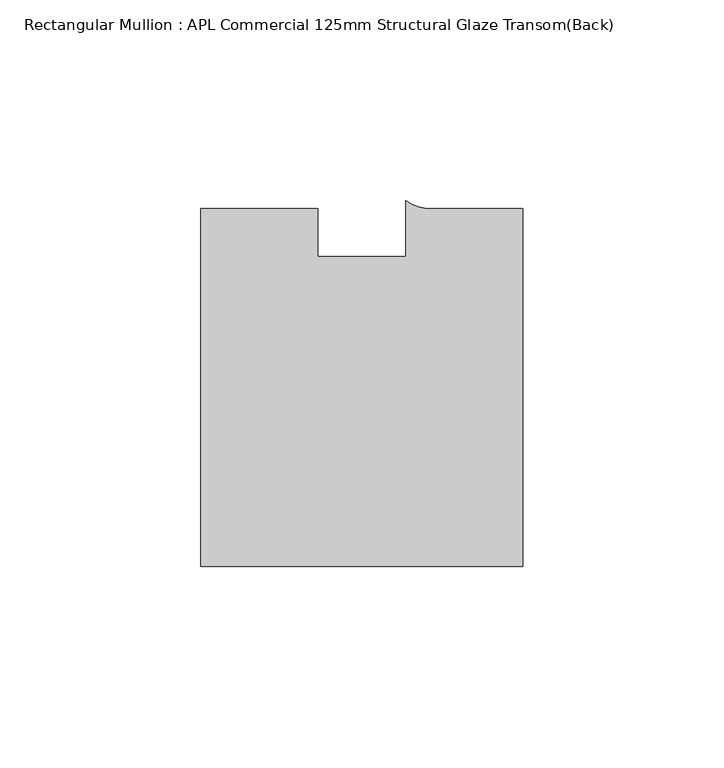
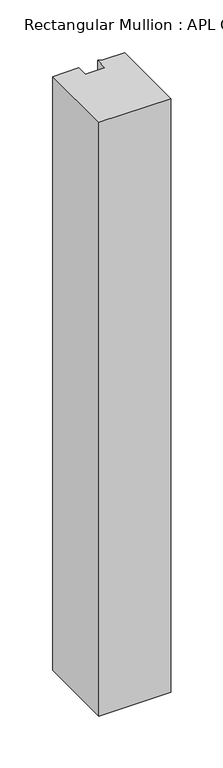
"""IFC4 building model written with IfcOpenShell, lengths in millimetres: member geometry, Rectangular Mullion : APL Commercial 125mm Structural Glaze Transom(Back)."""

from ifc_helpers import new_model, si_unit, point, frame, frame_2d, origin, place, context, project, spatial, polyline, circle_curve, trimmed, segment, composite_curve, outline, extrude, source, transform, mapped, element, save


def rectangular_mullion_apl_commercial_125mm_structural_glaze_790e549a(model_context):
    return source(origin(), model_context, "Body", "SweptSolid", [
        extrude(outline(composite_curve([segment(polyline([(40.0, -104.0), (-40.0, -104.0), (-40.0, -15.0000829), (-11.0000151, -15.0000829), (-11.0000151, -27.0), (11.0000151, -27.0), (11.0000151, -13.0673455)]), True, "CONTINUOUS"), segment(trimmed(circle_curve(frame_2d((17.1097719, -4.581653)), 10.4563907), [point((11.0000151, -13.0673455))], [point((17.9999542, -15.0000829))], True, "CARTESIAN"), True, "CONTINUOUS"), segment(polyline([(17.9999542, -15.0000829), (40.0, -15.0000829), (40.0, -104.0)]), True, "CONTINUOUS")], self_intersect=False)), frame((0.0, 0.0, -699.3627597), z_axis=(0.0, 0.0, 1.0), x_axis=(1.0, 0.0, 0.0)), (0.0, 0.0, 1.0), 699.3627597),
    ])


if __name__ == "__main__":
    model = new_model("IFC4")
    model_context = context("Model", 3, world=origin())
    ifc_project = project(units=[si_unit("LENGTHUNIT", "METRE", prefix="MILLI")], contexts=[model_context])
    site = spatial("IfcSite", under=ifc_project)
    building = spatial("IfcBuilding", under=site)
    placement = place(None, origin())
    rectangular_mullion_apl_commercial_125mm_structural_glaze_shape = rectangular_mullion_apl_commercial_125mm_structural_glaze_790e549a(model_context)
    element("IfcMember", 1, ObjectType="Rectangular Mullion : APL Commercial 125mm Structural Glaze Transom(Back)", at=placement, inside=building, context=model_context, shape_type="MappedRepresentation", body=[
        mapped(rectangular_mullion_apl_commercial_125mm_structural_glaze_shape, transform((0.0, 0.0, 0.0), x_axis=(1.0, 0.0, 0.0), y_axis=(0.0, 1.0, 0.0), z_axis=(0.0, 0.0, 1.0))),
    ])
    save(model, "model.ifc")
